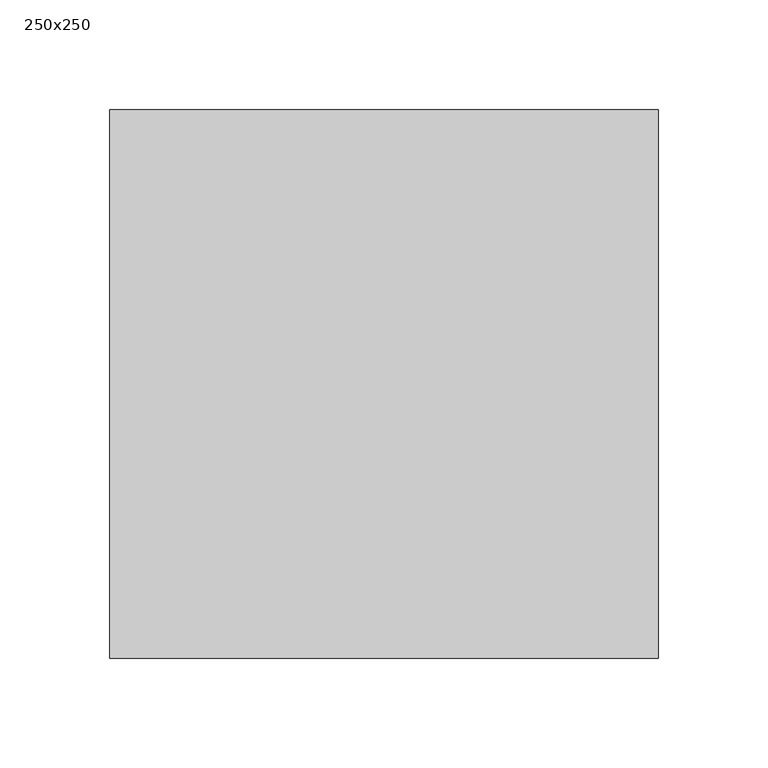
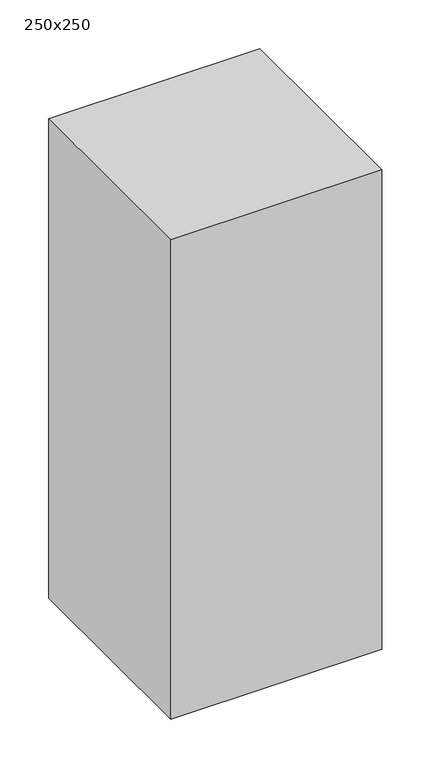
"""IFC4 building model written with IfcOpenShell, lengths in millimetres: column geometry, 250x250."""

from ifc_helpers import new_model, si_unit, frame, origin, place, context, project, spatial, polyline, outline, extrude, source, transform, mapped, element, save


def column_250x250_d1339f6f(model_context):
    return source(origin(), model_context, "Body", "SweptSolid", [
        extrude(outline(polyline([(125.0, 125.0), (125.0, -125.0), (-125.0, -125.0), (-125.0, 125.0), (125.0, 125.0)])), frame((0.0, 0.0, -600.0), z_axis=(0.0, 0.0, 1.0), x_axis=(1.0, 0.0, 0.0)), (0.0, 0.0, 1.0), 600.0),
    ])


if __name__ == "__main__":
    model = new_model("IFC4")
    model_context = context("Model", 3, world=origin())
    ifc_project = project(units=[si_unit("LENGTHUNIT", "METRE", prefix="MILLI")], contexts=[model_context])
    site = spatial("IfcSite", under=ifc_project)
    building = spatial("IfcBuilding", under=site)
    placement = place(None, origin())
    column_250x250_shape = column_250x250_d1339f6f(model_context)
    element("IfcColumn", 1, ObjectType="250x250", at=placement, inside=building, context=model_context, shape_type="MappedRepresentation", body=[
        mapped(column_250x250_shape, transform((0.0, 0.0, 0.0), x_axis=(1.0, 0.0, 0.0), y_axis=(0.0, 1.0, 0.0), z_axis=(0.0, 0.0, 1.0))),
    ])
    save(model, "model.ifc")
